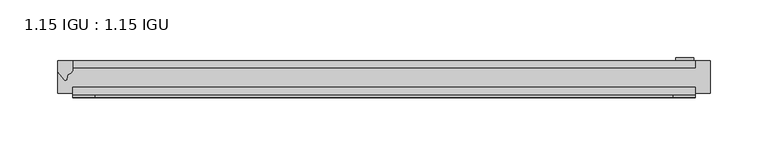
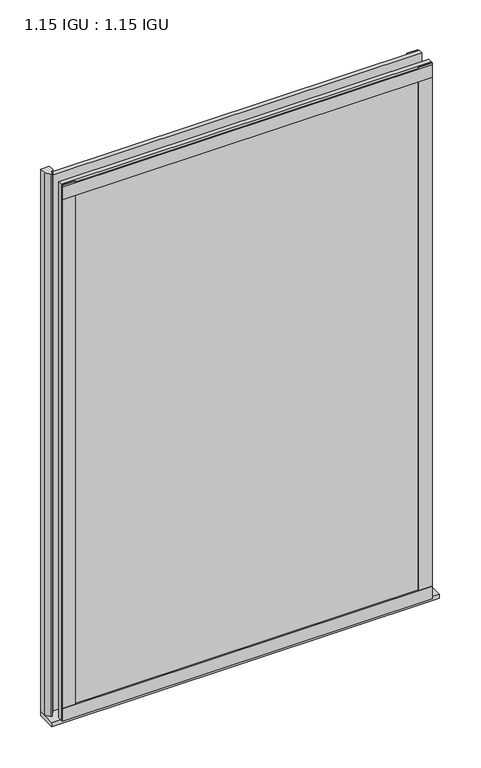
"""IFC4 building model written with IfcOpenShell, lengths in millimetres: plate geometry, 1.15 IGU : 1.15 IGU."""

from ifc_helpers import new_model, si_unit, point, frame, frame_2d, origin, place, context, project, spatial, polyline, circle_curve, trimmed, segment, composite_curve, outline, extrude, source, transform, mapped, element, save


def plate_1_15_igu_1_15_igu_e6e3b503(model_context):
    return source(origin(), model_context, "Body", "SweptSolid", [
        extrude(outline(polyline([(268.6061906, 0.0), (268.6061906, -6.2992), (-268.6061906, -6.2992), (-268.6061906, 0.0), (268.6061906, 0.0)])), frame((0.0, 0.0, -19.05), z_axis=(0.0, 0.0, 1.0), x_axis=(1.0, 0.0, 0.0)), (0.0, 0.0, 1.0), 822.3250001),
        extrude(outline(polyline([(-268.6061906, -23.1648), (268.6061906, -23.1648), (268.6061906, -29.464), (-268.6061906, -29.464), (-268.6061906, -23.1648)])), frame((0.0, 0.0, -19.05), z_axis=(0.0, 0.0, 1.0), x_axis=(1.0, 0.0, 0.0)), (0.0, 0.0, 1.0), 822.3250001),
        extrude(outline(composite_curve([segment(trimmed(circle_curve(frame_2d((10.9021792, -22.6833935)), 11.4916952), [point((0.0, -19.05))], [point((-0.2638007, -25.4))], True, "CARTESIAN"), True, "CONTINUOUS"), segment(polyline([(-0.2638007, -25.4), (-27.9952564, -25.4), (-27.9952564, -19.05), (0.0, -19.05)]), True, "CONTINUOUS")], self_intersect=False)), frame((-281.3061906, 0.0, 0.0), z_axis=(1.0, 0.0, 0.0), x_axis=(0.0, 1.0, 0.0)), (0.0, 0.0, 1.0), 562.6123813),
        extrude(outline(composite_curve([segment(polyline([(-268.6061906, 8.8e-06), (-268.6061906, -7.7683362)]), True, "CONTINUOUS"), segment(trimmed(circle_curve(frame_2d((-272.5776886, -7.7683362)), 3.9714979), [point((-268.6061906, -7.7683362))], [point((-272.7051404, -11.7377885))], False, "CARTESIAN"), True, "CONTINUOUS"), segment(polyline([(-272.7051404, -11.7377885), (-273.6851749, -16.012436)]), True, "CONTINUOUS"), segment(trimmed(circle_curve(frame_2d((-274.7863839, -15.7723555)), 1.1270758), [point((-273.6851749, -16.012436))], [point((-275.7402233, -16.372764))], False, "CARTESIAN"), True, "CONTINUOUS"), segment(polyline([(-275.7402233, -16.372764), (-281.3061906, -9.7395025), (-281.3061906, 8.8e-06), (-268.6061906, 8.8e-06)]), True, "CONTINUOUS")], self_intersect=False)), frame((0.0, 0.0, -19.05), z_axis=(0.0, 0.0, 1.0), x_axis=(1.0, 0.0, 0.0)), (0.0, 0.0, 1.0), 832.6374001),
        extrude(outline(polyline([(-268.6061906, -31.75), (-268.6061906, -29.464), (268.6061906, -29.464), (268.6061906, -31.75), (-268.6061906, -31.75)])), frame((0.0, 0.0, -19.05), z_axis=(0.0, 0.0, 1.0), x_axis=(1.0, 0.0, 0.0)), (0.0, 0.0, 1.0), 19.05),
        extrude(outline(polyline([(-268.6061906, -31.75), (-268.6061906, -29.464), (268.6061906, -29.464), (268.6061906, -31.75), (-268.6061906, -31.75)])), frame((0.0, 0.0, 781.0500001), z_axis=(0.0, 0.0, 1.0), x_axis=(1.0, 0.0, 0.0)), (0.0, 0.0, 1.0), 19.05),
        extrude(outline(polyline([(249.5561906, -29.464), (268.6061906, -29.464), (268.6061906, -31.75), (249.5561906, -31.75), (249.5561906, -29.464)])), frame((0.0, 0.0, -19.05), z_axis=(0.0, 0.0, 1.0), x_axis=(1.0, 0.0, 0.0)), (0.0, 0.0, 1.0), 822.3250001),
        extrude(outline(polyline([(267.3996906, 2.2860088), (267.3996906, 0.0021347), (251.5246906, 0.0021347), (251.5246906, 2.2860088), (267.3996906, 2.2860088)])), frame((0.0, 0.0, -19.05), z_axis=(0.0, 0.0, 1.0), x_axis=(1.0, 0.0, 0.0)), (0.0, 0.0, 1.0), 822.3250001),
        extrude(outline(polyline([(-268.6061906, -31.75), (-268.6061906, -29.464), (-249.5561906, -29.464), (-249.5561906, -31.75), (-268.6061906, -31.75)])), frame((0.0, 0.0, -19.05), z_axis=(0.0, 0.0, 1.0), x_axis=(1.0, 0.0, 0.0)), (0.0, 0.0, 1.0), 822.3250001),
    ])


if __name__ == "__main__":
    model = new_model("IFC4")
    model_context = context("Model", 3, world=origin())
    ifc_project = project(units=[si_unit("LENGTHUNIT", "METRE", prefix="MILLI")], contexts=[model_context])
    site = spatial("IfcSite", under=ifc_project)
    building = spatial("IfcBuilding", under=site)
    placement = place(None, origin())
    plate_1_15_igu_1_15_igu_shape = plate_1_15_igu_1_15_igu_e6e3b503(model_context)
    element("IfcPlate", 1, ObjectType="1.15 IGU : 1.15 IGU", at=placement, inside=building, context=model_context, shape_type="MappedRepresentation", body=[
        mapped(plate_1_15_igu_1_15_igu_shape, transform((0.0, 0.0, 0.0), x_axis=(1.0, 0.0, 0.0), y_axis=(0.0, 1.0, 0.0), z_axis=(0.0, 0.0, 1.0))),
    ])
    save(model, "model.ifc")
